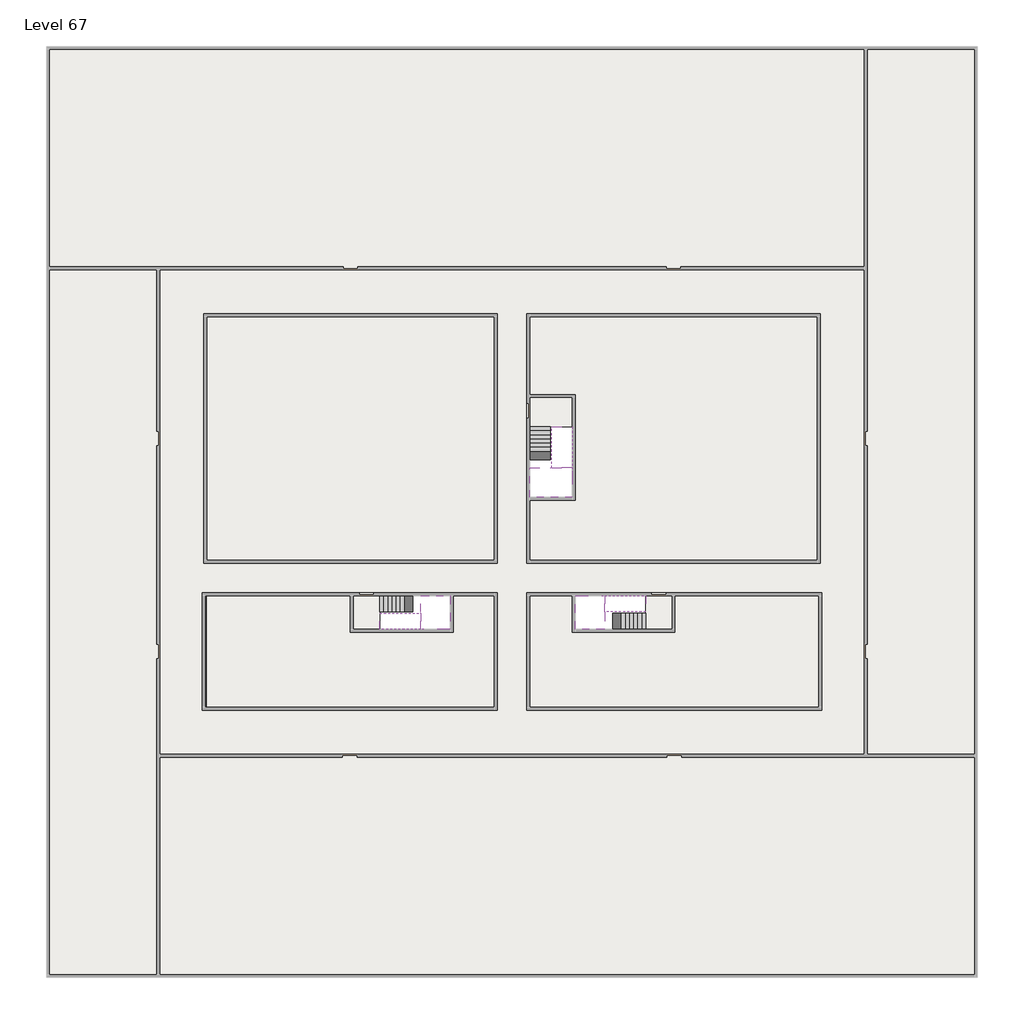
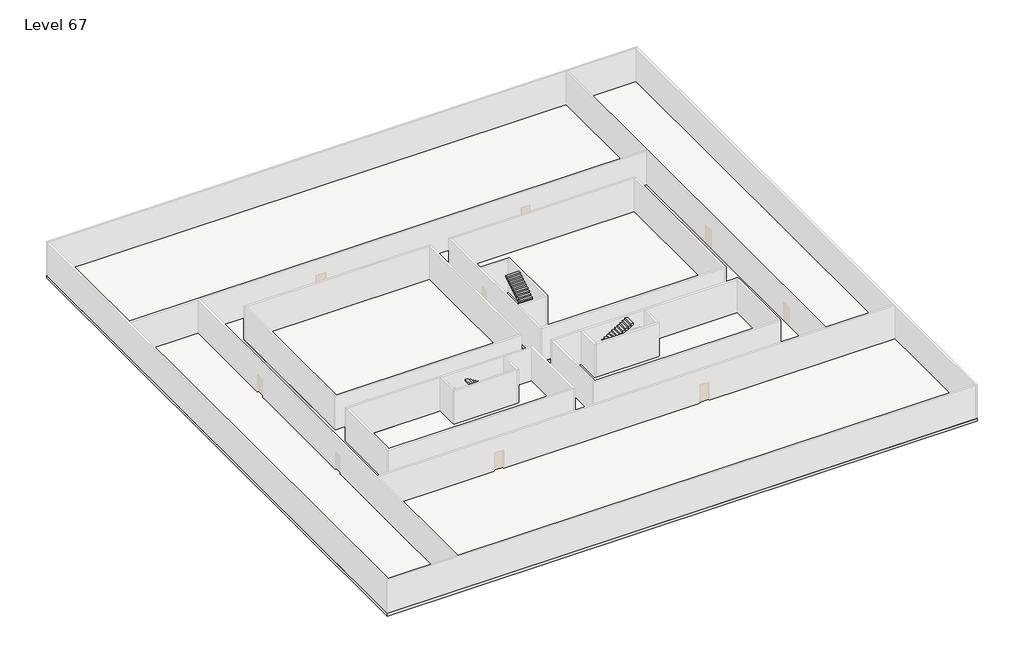
# One storey, part 2 of 2: 6 slabs, 6 stair flights.
"""IFC4 building model written with IfcOpenShell, lengths in millimetres."""

from ifc_helpers import new_model, si_unit, frame, origin, place, context, project, spatial, polyline, outline, extrude, faceted_brep, element, save

model = new_model("IFC4")

# Units and contexts
model_context = context("Model", 3, world=origin())
ifc_project = project(units=[si_unit("LENGTHUNIT", "METRE", prefix="MILLI")], contexts=[model_context])

# Site, building, storey
site = spatial("IfcSite", under=ifc_project)
building = spatial("IfcBuilding", under=site)
storey = spatial("IfcBuildingStorey", under=building, Name="Level 67", Elevation=250800.0)

# Slabs
placement = place(None, origin())
element("IfcSlab", 1, at=placement, inside=storey, context=model_context, shape_type="SweptSolid", body=[
    extrude(outline(polyline([(55890.1058784, -5518.09644), (55890.1058784, -68918.09644), (-7509.8941216, -68918.09644), (-7509.8941216, -5518.09644), (55890.1058784, -5518.09644)]), holes=[polyline([(23190.1058784, -23718.09644), (3190.1058784, -23718.09644), (3190.1058784, -40718.09644), (23190.1058784, -40718.09644), (23190.1058784, -23718.09644)]), polyline([(45190.1058784, -23718.09644), (25190.1058784, -23718.09644), (25190.1058784, -40718.09644), (45190.1058784, -40718.09644), (45190.1058784, -23718.09644)]), polyline([(23190.1058784, -50718.09644), (23190.1058784, -42718.09644), (3390.1058784, -42718.09644), (3390.1058784, -50718.09644), (23190.1058784, -50718.09644)]), polyline([(25190.1058784, -50718.09644), (45190.1058784, -50718.09644), (45190.1058784, -42718.09644), (25190.1058784, -42718.09644), (25190.1058784, -50718.09644)])]), frame((0.0, 0.0, 250500.0), z_axis=(0.0, 0.0, 1.0), x_axis=(1.0, 0.0, 0.0)), (0.0, 0.0, 1.0), 300.0),
])
element("IfcSlab", 2, at=placement, inside=storey, context=model_context, shape_type="Brep", body=[
    faceted_brep([(26790.1058784, -34218.09644, 252700.0), (25390.1058784, -34218.09644, 252700.0), (25390.1058784, -34297.4828763, 252700.0), (25390.1058784, -36218.09644, 252700.0), (28290.1058784, -36218.09644, 252700.0), (28290.1058784, -34418.7100038, 252700.0), (28290.1058784, -34218.09644, 252700.0), (26890.1058784, -34218.09644, 252700.0), (26790.1058784, -34218.09644, 252400.0), (26790.1058784, -34218.09644, 252351.0278478), (25390.1058784, -34218.09644, 252351.0278478), (25390.1058784, -34218.09644, 252527.2727273), (25390.1058784, -34297.4828763, 252400.0), (25390.1058784, -36218.09644, 252400.0), (28290.1058784, -36218.09644, 252400.0), (28290.1058784, -34418.7100038, 252400.0), (28290.1058784, -34218.09644, 252523.7551205), (26890.1058784, -34218.09644, 252523.7551205), (26890.1058784, -34218.09644, 252400.0), (26890.1058784, -34418.7100038, 252400.0), (26790.1058784, -34297.4828763, 252400.0)], [[[0, 1, 2, 3, 4, 5, 6, 7]], [[1, 0, 8, 9, 10, 11]], [[1, 11, 10, 12, 13, 3, 2]], [[4, 3, 13, 14]], [[4, 14, 15, 16, 6, 5]], [[7, 6, 16, 17]], [[0, 7, 17, 18, 8]], [[18, 19, 15, 14, 13, 12, 20, 8]], [[19, 18, 17]], [[20, 12, 10, 9]], [[8, 20, 9]], [[15, 19, 17, 16]]]),
])
element("IfcSlab", 3, at=placement, inside=storey, context=model_context, shape_type="SweptSolid", body=[
    extrude(outline(polyline([(22990.1058784, -23918.09644), (22990.1058784, -40518.09644), (3390.1058784, -40518.09644), (3390.1058784, -23918.09644), (22990.1058784, -23918.09644)])), frame((0.0, 0.0, 250500.0), z_axis=(0.0, 0.0, 1.0), x_axis=(1.0, 0.0, 0.0)), (0.0, 0.0, 1.0), 300.0),
    extrude(outline(polyline([(44990.1058784, -23918.09644), (44990.1058784, -40518.09644), (25390.1058784, -40518.09644), (25390.1058784, -36418.09644), (28490.1058784, -36418.09644), (28490.1058784, -29218.09644), (25390.1058784, -29218.09644), (25390.1058784, -23918.09644), (44990.1058784, -23918.09644)])), frame((0.0, 0.0, 250500.0), z_axis=(0.0, 0.0, 1.0), x_axis=(1.0, 0.0, 0.0)), (0.0, 0.0, 1.0), 300.0),
    extrude(outline(polyline([(22990.1058784, -42918.09644), (22990.1058784, -50518.09644), (3390.1058784, -50518.09644), (3390.1058784, -42918.09644), (13190.1058784, -42918.09644), (13190.1058784, -45418.09644), (20190.1058784, -45418.09644), (20190.1058784, -42918.09644), (22990.1058784, -42918.09644)])), frame((0.0, 0.0, 250500.0), z_axis=(0.0, 0.0, 1.0), x_axis=(1.0, 0.0, 0.0)), (0.0, 0.0, 1.0), 300.0),
    extrude(outline(polyline([(28290.1058784, -42918.09644), (28290.1058784, -45418.09644), (35290.1058784, -45418.09644), (35290.1058784, -42918.09644), (45090.1058784, -42918.09644), (45090.1058784, -50518.09644), (25390.1058784, -50518.09644), (25390.1058784, -42918.09644), (28290.1058784, -42918.09644)])), frame((0.0, 0.0, 250500.0), z_axis=(0.0, 0.0, 1.0), x_axis=(1.0, 0.0, 0.0)), (0.0, 0.0, 1.0), 300.0),
])
element("IfcSlab", 4, at=placement, inside=storey, context=model_context, shape_type="Brep", body=[
    faceted_brep([(30490.1058784, -45218.09644, 252700.0), (30490.1058784, -44118.09644, 252700.0), (30490.1058784, -44018.09644, 252700.0), (30490.1058784, -42918.09644, 252700.0), (30289.4923146, -42918.09644, 252700.0), (28490.1058784, -42918.09644, 252700.0), (28490.1058784, -45218.09644, 252700.0), (30410.7194421, -45218.09644, 252700.0), (30490.1058784, -45218.09644, 252527.2727273), (30490.1058784, -45218.09644, 252351.0278478), (30490.1058784, -44118.09644, 252351.0278478), (30490.1058784, -44118.09644, 252400.0), (30490.1058784, -44018.09644, 252400.0), (30490.1058784, -44018.09644, 252523.7551205), (30490.1058784, -42918.09644, 252523.7551205), (30289.4923146, -42918.09644, 252400.0), (28490.1058784, -42918.09644, 252400.0), (28490.1058784, -45218.09644, 252400.0), (30410.7194421, -45218.09644, 252400.0), (30289.4923146, -44018.09644, 252400.0), (30410.7194421, -44118.09644, 252400.0)], [[[0, 1, 2, 3, 4, 5, 6, 7]], [[1, 0, 8, 9, 10, 11]], [[2, 1, 11, 12, 13]], [[3, 2, 13, 14]], [[3, 14, 15, 16, 5, 4]], [[6, 5, 16, 17]], [[9, 8, 0, 7, 6, 17, 18]], [[19, 12, 11, 20, 18, 17, 16, 15]], [[12, 19, 13]], [[18, 20, 10, 9]], [[20, 11, 10]], [[19, 15, 14, 13]]]),
])
element("IfcSlab", 5, at=placement, inside=storey, context=model_context, shape_type="Brep", body=[
    faceted_brep([(17990.1058784, -42918.09644, 252700.0), (17990.1058784, -44018.09644, 252700.0), (17990.1058784, -44118.09644, 252700.0), (17990.1058784, -45218.09644, 252700.0), (18190.7194421, -45218.09644, 252700.0), (19990.1058784, -45218.09644, 252700.0), (19990.1058784, -42918.09644, 252700.0), (18069.4923146, -42918.09644, 252700.0), (17990.1058784, -42918.09644, 252527.2727273), (17990.1058784, -42918.09644, 252351.0278478), (17990.1058784, -44018.09644, 252351.0278478), (17990.1058784, -44018.09644, 252400.0), (17990.1058784, -44118.09644, 252400.0), (17990.1058784, -44118.09644, 252523.7551205), (17990.1058784, -45218.09644, 252523.7551205), (18190.7194421, -45218.09644, 252400.0), (19990.1058784, -45218.09644, 252400.0), (19990.1058784, -42918.09644, 252400.0), (18069.4923146, -42918.09644, 252400.0), (18190.7194421, -44118.09644, 252400.0), (18069.4923146, -44018.09644, 252400.0)], [[[0, 1, 2, 3, 4, 5, 6, 7]], [[1, 0, 8, 9, 10, 11]], [[2, 1, 11, 12, 13]], [[3, 2, 13, 14]], [[3, 14, 15, 16, 5, 4]], [[6, 5, 16, 17]], [[9, 8, 0, 7, 6, 17, 18]], [[19, 12, 11, 20, 18, 17, 16, 15]], [[12, 19, 13]], [[18, 20, 10, 9]], [[20, 11, 10]], [[19, 15, 14, 13]]]),
])
element("IfcSlab", 6, at=placement, inside=storey, context=model_context, shape_type="SweptSolid", body=[
    extrude(outline(polyline([(25190.1058784, -29418.09644), (28290.1058784, -29418.09644), (28290.1058784, -31418.09644), (25190.1058784, -31418.09644), (25190.1058784, -29418.09644)])), frame((0.0, 0.0, 250500.0), z_axis=(0.0, 0.0, 1.0), x_axis=(1.0, 0.0, 0.0)), (0.0, 0.0, 1.0), 300.0),
    extrude(outline(polyline([(15190.1058784, -45218.09644), (13390.1058784, -45218.09644), (13390.1058784, -42718.09644), (15190.1058784, -42718.09644), (15190.1058784, -45218.09644)])), frame((0.0, 0.0, 250500.0), z_axis=(0.0, 0.0, 1.0), x_axis=(1.0, 0.0, 0.0)), (0.0, 0.0, 1.0), 300.0),
    extrude(outline(polyline([(35090.1058784, -45218.09644), (33290.1058784, -45218.09644), (33290.1058784, -42718.09644), (35090.1058784, -42718.09644), (35090.1058784, -45218.09644)])), frame((0.0, 0.0, 250500.0), z_axis=(0.0, 0.0, 1.0), x_axis=(1.0, 0.0, 0.0)), (0.0, 0.0, 1.0), 300.0),
])

# Stair flights
element("IfcStairFlight", 7, at=placement, inside=storey, context=model_context, shape_type="Brep", body=[
    faceted_brep([(26790.1058784, -31698.09644, 250972.7272727), (26790.1058784, -31418.09644, 250972.7272727), (25390.1058784, -31418.09644, 250972.7272727), (25390.1058784, -31698.09644, 250972.7272727), (26790.1058784, -31698.09644, 250800.0), (26790.1058784, -31418.09644, 250800.0), (25390.1058784, -31418.09644, 250800.0), (25390.1058784, -31698.09644, 250800.0), (26790.1058784, -31978.09644, 251145.4545455), (26790.1058784, -31698.09644, 251145.4545455), (25390.1058784, -31698.09644, 251145.4545455), (25390.1058784, -31978.09644, 251145.4545455), (26790.1058784, -31978.09644, 250969.209666), (26790.1058784, -31703.7986657, 250800.0), (25390.1058784, -31703.7986657, 250800.0), (25390.1058784, -31978.09644, 250969.209666), (26790.1058784, -32258.09644, 251318.1818182), (26790.1058784, -31978.09644, 251318.1818182), (25390.1058784, -31978.09644, 251318.1818182), (25390.1058784, -32258.09644, 251318.1818182), (26790.1058784, -32258.09644, 251141.9369387), (25390.1058784, -32258.09644, 251141.9369387), (26790.1058784, -32538.09644, 251490.9090909), (26790.1058784, -32258.09644, 251490.9090909), (25390.1058784, -32258.09644, 251490.9090909), (25390.1058784, -32538.09644, 251490.9090909), (26790.1058784, -32538.09644, 251314.6642114), (25390.1058784, -32538.09644, 251314.6642114), (26790.1058784, -32818.09644, 251663.6363636), (26790.1058784, -32538.09644, 251663.6363636), (25390.1058784, -32538.09644, 251663.6363636), (25390.1058784, -32818.09644, 251663.6363636), (26790.1058784, -32818.09644, 251487.3914841), (25390.1058784, -32818.09644, 251487.3914841), (26790.1058784, -33098.09644, 251836.3636364), (26790.1058784, -32818.09644, 251836.3636364), (25390.1058784, -32818.09644, 251836.3636364), (25390.1058784, -33098.09644, 251836.3636364), (26790.1058784, -33098.09644, 251660.1187569), (25390.1058784, -33098.09644, 251660.1187569), (26790.1058784, -33378.09644, 252009.0909091), (26790.1058784, -33098.09644, 252009.0909091), (25390.1058784, -33098.09644, 252009.0909091), (25390.1058784, -33378.09644, 252009.0909091), (26790.1058784, -33378.09644, 251832.8460296), (25390.1058784, -33378.09644, 251832.8460296), (26790.1058784, -33658.09644, 252181.8181818), (26790.1058784, -33378.09644, 252181.8181818), (25390.1058784, -33378.09644, 252181.8181818), (25390.1058784, -33658.09644, 252181.8181818), (26790.1058784, -33658.09644, 252005.5733023), (25390.1058784, -33658.09644, 252005.5733023), (26790.1058784, -33938.09644, 252354.5454545), (26790.1058784, -33658.09644, 252354.5454545), (25390.1058784, -33658.09644, 252354.5454545), (25390.1058784, -33938.09644, 252354.5454545), (26790.1058784, -33938.09644, 252178.3005751), (25390.1058784, -33938.09644, 252178.3005751), (26790.1058784, -34218.09644, 252527.2727273), (26790.1058784, -33938.09644, 252527.2727273), (25390.1058784, -33938.09644, 252527.2727273), (25390.1058784, -34218.09644, 252527.2727273), (26790.1058784, -34218.09644, 252400.0), (26790.1058784, -34218.09644, 252351.0278478), (25390.1058784, -34218.09644, 252351.0278478)], [[[0, 1, 2, 3]], [[1, 0, 4, 5]], [[2, 1, 5, 6]], [[3, 2, 6, 7]], [[8, 9, 10, 11]], [[4, 0, 9, 8, 12, 13]], [[0, 3, 10, 9]], [[3, 7, 14, 15, 11, 10]], [[16, 17, 18, 19]], [[17, 16, 20, 12, 8]], [[8, 11, 18, 17]], [[19, 18, 11, 15, 21]], [[22, 23, 24, 25]], [[23, 22, 26, 20, 16]], [[16, 19, 24, 23]], [[25, 24, 19, 21, 27]], [[28, 29, 30, 31]], [[29, 28, 32, 26, 22]], [[22, 25, 30, 29]], [[31, 30, 25, 27, 33]], [[34, 35, 36, 37]], [[35, 34, 38, 32, 28]], [[28, 31, 36, 35]], [[37, 36, 31, 33, 39]], [[40, 41, 42, 43]], [[41, 40, 44, 38, 34]], [[34, 37, 42, 41]], [[43, 42, 37, 39, 45]], [[46, 47, 48, 49]], [[47, 46, 50, 44, 40]], [[40, 43, 48, 47]], [[49, 48, 43, 45, 51]], [[52, 53, 54, 55]], [[53, 52, 56, 50, 46]], [[46, 49, 54, 53]], [[55, 54, 49, 51, 57]], [[58, 59, 60, 61]], [[59, 58, 62, 63, 56, 52]], [[52, 55, 60, 59]], [[61, 60, 55, 57, 64]], [[58, 61, 64, 63, 62]], [[5, 4, 13, 14, 7, 6]], [[14, 13, 12, 20, 26, 32, 38, 44, 50, 56, 63, 64, 57, 51, 45, 39, 33, 27, 21, 15]]]),
])
element("IfcStairFlight", 8, at=placement, inside=storey, context=model_context, shape_type="Brep", body=[
    faceted_brep([(26890.1058784, -33938.09644, 252872.7272727), (26890.1058784, -34218.09644, 252872.7272727), (28290.1058784, -34218.09644, 252872.7272727), (28290.1058784, -33938.09644, 252872.7272727), (26890.1058784, -33938.09644, 252696.4823932), (26890.1058784, -34218.09644, 252523.7551205), (28290.1058784, -34218.09644, 252523.7551205), (28290.1058784, -34218.09644, 252700.0), (28290.1058784, -33938.09644, 252696.4823932), (26890.1058784, -33658.09644, 253045.4545455), (26890.1058784, -33938.09644, 253045.4545455), (28290.1058784, -33938.09644, 253045.4545455), (28290.1058784, -33658.09644, 253045.4545455), (26890.1058784, -33658.09644, 252869.209666), (28290.1058784, -33658.09644, 252869.209666), (26890.1058784, -33378.09644, 253218.1818182), (26890.1058784, -33658.09644, 253218.1818182), (28290.1058784, -33658.09644, 253218.1818182), (28290.1058784, -33378.09644, 253218.1818182), (26890.1058784, -33378.09644, 253041.9369387), (28290.1058784, -33378.09644, 253041.9369387), (26890.1058784, -33098.09644, 253390.9090909), (26890.1058784, -33378.09644, 253390.9090909), (28290.1058784, -33378.09644, 253390.9090909), (28290.1058784, -33098.09644, 253390.9090909), (26890.1058784, -33098.09644, 253214.6642114), (28290.1058784, -33098.09644, 253214.6642114), (26890.1058784, -32818.09644, 253563.6363636), (26890.1058784, -33098.09644, 253563.6363636), (28290.1058784, -33098.09644, 253563.6363636), (28290.1058784, -32818.09644, 253563.6363636), (26890.1058784, -32818.09644, 253387.3914841), (28290.1058784, -32818.09644, 253387.3914841), (26890.1058784, -32538.09644, 253736.3636364), (26890.1058784, -32818.09644, 253736.3636364), (28290.1058784, -32818.09644, 253736.3636364), (28290.1058784, -32538.09644, 253736.3636364), (26890.1058784, -32538.09644, 253560.1187569), (28290.1058784, -32538.09644, 253560.1187569), (26890.1058784, -32258.09644, 253909.0909091), (26890.1058784, -32538.09644, 253909.0909091), (28290.1058784, -32538.09644, 253909.0909091), (28290.1058784, -32258.09644, 253909.0909091), (26890.1058784, -32258.09644, 253732.8460296), (28290.1058784, -32258.09644, 253732.8460296), (26890.1058784, -31978.09644, 254081.8181818), (26890.1058784, -32258.09644, 254081.8181818), (28290.1058784, -32258.09644, 254081.8181818), (28290.1058784, -31978.09644, 254081.8181818), (26890.1058784, -31978.09644, 253905.5733023), (28290.1058784, -31978.09644, 253905.5733023), (26890.1058784, -31698.09644, 254254.5454545), (26890.1058784, -31978.09644, 254254.5454545), (28290.1058784, -31978.09644, 254254.5454545), (28290.1058784, -31698.09644, 254254.5454545), (26890.1058784, -31698.09644, 254078.3005751), (28290.1058784, -31698.09644, 254078.3005751), (26890.1058784, -31418.09644, 254427.2727273), (26890.1058784, -31698.09644, 254427.2727273), (28290.1058784, -31698.09644, 254427.2727273), (28290.1058784, -31418.09644, 254427.2727273), (26890.1058784, -31418.09644, 254251.0278478), (28290.1058784, -31418.09644, 254251.0278478)], [[[0, 1, 2, 3]], [[1, 0, 4, 5]], [[2, 1, 5, 6, 7]], [[3, 2, 7, 6, 8]], [[9, 10, 11, 12]], [[10, 9, 13, 4, 0]], [[11, 10, 0, 3]], [[12, 11, 3, 8, 14]], [[15, 16, 17, 18]], [[16, 15, 19, 13, 9]], [[17, 16, 9, 12]], [[18, 17, 12, 14, 20]], [[21, 22, 23, 24]], [[22, 21, 25, 19, 15]], [[23, 22, 15, 18]], [[24, 23, 18, 20, 26]], [[27, 28, 29, 30]], [[28, 27, 31, 25, 21]], [[29, 28, 21, 24]], [[30, 29, 24, 26, 32]], [[33, 34, 35, 36]], [[34, 33, 37, 31, 27]], [[35, 34, 27, 30]], [[36, 35, 30, 32, 38]], [[39, 40, 41, 42]], [[40, 39, 43, 37, 33]], [[41, 40, 33, 36]], [[42, 41, 36, 38, 44]], [[45, 46, 47, 48]], [[46, 45, 49, 43, 39]], [[47, 46, 39, 42]], [[48, 47, 42, 44, 50]], [[51, 52, 53, 54]], [[52, 51, 55, 49, 45]], [[53, 52, 45, 48]], [[54, 53, 48, 50, 56]], [[57, 58, 59, 60]], [[58, 57, 61, 55, 51]], [[59, 58, 51, 54]], [[60, 59, 54, 56, 62]], [[57, 60, 62, 61]], [[5, 4, 13, 19, 25, 31, 37, 43, 49, 55, 61, 62, 56, 50, 44, 38, 32, 26, 20, 14, 8, 6]]]),
])
element("IfcStairFlight", 9, at=placement, inside=storey, context=model_context, shape_type="Brep", body=[
    faceted_brep([(33010.1058784, -45218.09644, 250972.7272727), (33290.1058784, -45218.09644, 250972.7272727), (33290.1058784, -44118.09644, 250972.7272727), (33010.1058784, -44118.09644, 250972.7272727), (33010.1058784, -45218.09644, 250800.0), (33290.1058784, -45218.09644, 250800.0), (33290.1058784, -44118.09644, 250800.0), (33010.1058784, -44118.09644, 250800.0), (32730.1058784, -45218.09644, 251145.4545455), (33010.1058784, -45218.09644, 251145.4545455), (33010.1058784, -44118.09644, 251145.4545455), (32730.1058784, -44118.09644, 251145.4545455), (32730.1058784, -45218.09644, 250969.209666), (33004.4036527, -45218.09644, 250800.0), (33004.4036527, -44118.09644, 250800.0), (32730.1058784, -44118.09644, 250969.209666), (32450.1058784, -45218.09644, 251318.1818182), (32730.1058784, -45218.09644, 251318.1818182), (32730.1058784, -44118.09644, 251318.1818182), (32450.1058784, -44118.09644, 251318.1818182), (32450.1058784, -45218.09644, 251141.9369387), (32450.1058784, -44118.09644, 251141.9369387), (32170.1058784, -45218.09644, 251490.9090909), (32450.1058784, -45218.09644, 251490.9090909), (32450.1058784, -44118.09644, 251490.9090909), (32170.1058784, -44118.09644, 251490.9090909), (32170.1058784, -45218.09644, 251314.6642114), (32170.1058784, -44118.09644, 251314.6642114), (31890.1058784, -45218.09644, 251663.6363636), (32170.1058784, -45218.09644, 251663.6363636), (32170.1058784, -44118.09644, 251663.6363636), (31890.1058784, -44118.09644, 251663.6363636), (31890.1058784, -45218.09644, 251487.3914841), (31890.1058784, -44118.09644, 251487.3914841), (31610.1058784, -45218.09644, 251836.3636364), (31890.1058784, -45218.09644, 251836.3636364), (31890.1058784, -44118.09644, 251836.3636364), (31610.1058784, -44118.09644, 251836.3636364), (31610.1058784, -45218.09644, 251660.1187569), (31610.1058784, -44118.09644, 251660.1187569), (31330.1058784, -45218.09644, 252009.0909091), (31610.1058784, -45218.09644, 252009.0909091), (31610.1058784, -44118.09644, 252009.0909091), (31330.1058784, -44118.09644, 252009.0909091), (31330.1058784, -45218.09644, 251832.8460296), (31330.1058784, -44118.09644, 251832.8460296), (31050.1058784, -45218.09644, 252181.8181818), (31330.1058784, -45218.09644, 252181.8181818), (31330.1058784, -44118.09644, 252181.8181818), (31050.1058784, -44118.09644, 252181.8181818), (31050.1058784, -45218.09644, 252005.5733023), (31050.1058784, -44118.09644, 252005.5733023), (30770.1058784, -45218.09644, 252354.5454545), (31050.1058784, -45218.09644, 252354.5454545), (31050.1058784, -44118.09644, 252354.5454545), (30770.1058784, -44118.09644, 252354.5454545), (30770.1058784, -45218.09644, 252178.3005751), (30770.1058784, -44118.09644, 252178.3005751), (30490.1058784, -45218.09644, 252527.2727273), (30770.1058784, -45218.09644, 252527.2727273), (30770.1058784, -44118.09644, 252527.2727273), (30490.1058784, -44118.09644, 252527.2727273), (30490.1058784, -45218.09644, 252351.0278478), (30490.1058784, -44118.09644, 252351.0278478), (30490.1058784, -44118.09644, 252400.0)], [[[0, 1, 2, 3]], [[1, 0, 4, 5]], [[2, 1, 5, 6]], [[3, 2, 6, 7]], [[8, 9, 10, 11]], [[4, 0, 9, 8, 12, 13]], [[0, 3, 10, 9]], [[3, 7, 14, 15, 11, 10]], [[16, 17, 18, 19]], [[17, 16, 20, 12, 8]], [[8, 11, 18, 17]], [[19, 18, 11, 15, 21]], [[22, 23, 24, 25]], [[23, 22, 26, 20, 16]], [[16, 19, 24, 23]], [[25, 24, 19, 21, 27]], [[28, 29, 30, 31]], [[29, 28, 32, 26, 22]], [[22, 25, 30, 29]], [[31, 30, 25, 27, 33]], [[34, 35, 36, 37]], [[35, 34, 38, 32, 28]], [[28, 31, 36, 35]], [[37, 36, 31, 33, 39]], [[40, 41, 42, 43]], [[41, 40, 44, 38, 34]], [[34, 37, 42, 41]], [[43, 42, 37, 39, 45]], [[46, 47, 48, 49]], [[47, 46, 50, 44, 40]], [[40, 43, 48, 47]], [[49, 48, 43, 45, 51]], [[52, 53, 54, 55]], [[53, 52, 56, 50, 46]], [[46, 49, 54, 53]], [[55, 54, 49, 51, 57]], [[58, 59, 60, 61]], [[59, 58, 62, 56, 52]], [[52, 55, 60, 59]], [[61, 60, 55, 57, 63, 64]], [[58, 61, 64, 63, 62]], [[5, 4, 13, 14, 7, 6]], [[14, 13, 12, 20, 26, 32, 38, 44, 50, 56, 62, 63, 57, 51, 45, 39, 33, 27, 21, 15]]]),
])
element("IfcStairFlight", 10, at=placement, inside=storey, context=model_context, shape_type="Brep", body=[
    faceted_brep([(30770.1058784, -42918.09644, 252872.7272727), (30490.1058784, -42918.09644, 252872.7272727), (30490.1058784, -44018.09644, 252872.7272727), (30770.1058784, -44018.09644, 252872.7272727), (30770.1058784, -42918.09644, 252696.4823932), (30490.1058784, -42918.09644, 252523.7551205), (30490.1058784, -42918.09644, 252700.0), (30490.1058784, -44018.09644, 252523.7551205), (30770.1058784, -44018.09644, 252696.4823932), (31050.1058784, -42918.09644, 253045.4545455), (30770.1058784, -42918.09644, 253045.4545455), (30770.1058784, -44018.09644, 253045.4545455), (31050.1058784, -44018.09644, 253045.4545455), (31050.1058784, -42918.09644, 252869.209666), (31050.1058784, -44018.09644, 252869.209666), (31330.1058784, -42918.09644, 253218.1818182), (31050.1058784, -42918.09644, 253218.1818182), (31050.1058784, -44018.09644, 253218.1818182), (31330.1058784, -44018.09644, 253218.1818182), (31330.1058784, -42918.09644, 253041.9369387), (31330.1058784, -44018.09644, 253041.9369387), (31610.1058784, -42918.09644, 253390.9090909), (31330.1058784, -42918.09644, 253390.9090909), (31330.1058784, -44018.09644, 253390.9090909), (31610.1058784, -44018.09644, 253390.9090909), (31610.1058784, -42918.09644, 253214.6642114), (31610.1058784, -44018.09644, 253214.6642114), (31890.1058784, -42918.09644, 253563.6363636), (31610.1058784, -42918.09644, 253563.6363636), (31610.1058784, -44018.09644, 253563.6363636), (31890.1058784, -44018.09644, 253563.6363636), (31890.1058784, -42918.09644, 253387.3914841), (31890.1058784, -44018.09644, 253387.3914841), (32170.1058784, -42918.09644, 253736.3636364), (31890.1058784, -42918.09644, 253736.3636364), (31890.1058784, -44018.09644, 253736.3636364), (32170.1058784, -44018.09644, 253736.3636364), (32170.1058784, -42918.09644, 253560.1187569), (32170.1058784, -44018.09644, 253560.1187569), (32450.1058784, -42918.09644, 253909.0909091), (32170.1058784, -42918.09644, 253909.0909091), (32170.1058784, -44018.09644, 253909.0909091), (32450.1058784, -44018.09644, 253909.0909091), (32450.1058784, -42918.09644, 253732.8460296), (32450.1058784, -44018.09644, 253732.8460296), (32730.1058784, -42918.09644, 254081.8181818), (32450.1058784, -42918.09644, 254081.8181818), (32450.1058784, -44018.09644, 254081.8181818), (32730.1058784, -44018.09644, 254081.8181818), (32730.1058784, -42918.09644, 253905.5733023), (32730.1058784, -44018.09644, 253905.5733023), (33010.1058784, -42918.09644, 254254.5454545), (32730.1058784, -42918.09644, 254254.5454545), (32730.1058784, -44018.09644, 254254.5454545), (33010.1058784, -44018.09644, 254254.5454545), (33010.1058784, -42918.09644, 254078.3005751), (33010.1058784, -44018.09644, 254078.3005751), (33290.1058784, -42918.09644, 254427.2727273), (33010.1058784, -42918.09644, 254427.2727273), (33010.1058784, -44018.09644, 254427.2727273), (33290.1058784, -44018.09644, 254427.2727273), (33290.1058784, -42918.09644, 254251.0278478), (33290.1058784, -44018.09644, 254251.0278478)], [[[0, 1, 2, 3]], [[1, 0, 4, 5, 6]], [[2, 1, 6, 5, 7]], [[3, 2, 7, 8]], [[9, 10, 11, 12]], [[10, 9, 13, 4, 0]], [[11, 10, 0, 3]], [[12, 11, 3, 8, 14]], [[15, 16, 17, 18]], [[16, 15, 19, 13, 9]], [[17, 16, 9, 12]], [[18, 17, 12, 14, 20]], [[21, 22, 23, 24]], [[22, 21, 25, 19, 15]], [[23, 22, 15, 18]], [[24, 23, 18, 20, 26]], [[27, 28, 29, 30]], [[28, 27, 31, 25, 21]], [[29, 28, 21, 24]], [[30, 29, 24, 26, 32]], [[33, 34, 35, 36]], [[34, 33, 37, 31, 27]], [[35, 34, 27, 30]], [[36, 35, 30, 32, 38]], [[39, 40, 41, 42]], [[40, 39, 43, 37, 33]], [[41, 40, 33, 36]], [[42, 41, 36, 38, 44]], [[45, 46, 47, 48]], [[46, 45, 49, 43, 39]], [[47, 46, 39, 42]], [[48, 47, 42, 44, 50]], [[51, 52, 53, 54]], [[52, 51, 55, 49, 45]], [[53, 52, 45, 48]], [[54, 53, 48, 50, 56]], [[57, 58, 59, 60]], [[58, 57, 61, 55, 51]], [[59, 58, 51, 54]], [[60, 59, 54, 56, 62]], [[57, 60, 62, 61]], [[5, 4, 13, 19, 25, 31, 37, 43, 49, 55, 61, 62, 56, 50, 44, 38, 32, 26, 20, 14, 8, 7]]]),
])
element("IfcStairFlight", 11, at=placement, inside=storey, context=model_context, shape_type="Brep", body=[
    faceted_brep([(15470.1058784, -42918.09644, 250972.7272727), (15190.1058784, -42918.09644, 250972.7272727), (15190.1058784, -44018.09644, 250972.7272727), (15470.1058784, -44018.09644, 250972.7272727), (15470.1058784, -42918.09644, 250800.0), (15190.1058784, -42918.09644, 250800.0), (15190.1058784, -44018.09644, 250800.0), (15470.1058784, -44018.09644, 250800.0), (15750.1058784, -42918.09644, 251145.4545455), (15470.1058784, -42918.09644, 251145.4545455), (15470.1058784, -44018.09644, 251145.4545455), (15750.1058784, -44018.09644, 251145.4545455), (15750.1058784, -42918.09644, 250969.209666), (15475.8081041, -42918.09644, 250800.0), (15475.8081041, -44018.09644, 250800.0), (15750.1058784, -44018.09644, 250969.209666), (16030.1058784, -42918.09644, 251318.1818182), (15750.1058784, -42918.09644, 251318.1818182), (15750.1058784, -44018.09644, 251318.1818182), (16030.1058784, -44018.09644, 251318.1818182), (16030.1058784, -42918.09644, 251141.9369387), (16030.1058784, -44018.09644, 251141.9369387), (16310.1058784, -42918.09644, 251490.9090909), (16030.1058784, -42918.09644, 251490.9090909), (16030.1058784, -44018.09644, 251490.9090909), (16310.1058784, -44018.09644, 251490.9090909), (16310.1058784, -42918.09644, 251314.6642114), (16310.1058784, -44018.09644, 251314.6642114), (16590.1058784, -42918.09644, 251663.6363636), (16310.1058784, -42918.09644, 251663.6363636), (16310.1058784, -44018.09644, 251663.6363636), (16590.1058784, -44018.09644, 251663.6363636), (16590.1058784, -42918.09644, 251487.3914841), (16590.1058784, -44018.09644, 251487.3914841), (16870.1058784, -42918.09644, 251836.3636364), (16590.1058784, -42918.09644, 251836.3636364), (16590.1058784, -44018.09644, 251836.3636364), (16870.1058784, -44018.09644, 251836.3636364), (16870.1058784, -42918.09644, 251660.1187569), (16870.1058784, -44018.09644, 251660.1187569), (17150.1058784, -42918.09644, 252009.0909091), (16870.1058784, -42918.09644, 252009.0909091), (16870.1058784, -44018.09644, 252009.0909091), (17150.1058784, -44018.09644, 252009.0909091), (17150.1058784, -42918.09644, 251832.8460296), (17150.1058784, -44018.09644, 251832.8460296), (17430.1058784, -42918.09644, 252181.8181818), (17150.1058784, -42918.09644, 252181.8181818), (17150.1058784, -44018.09644, 252181.8181818), (17430.1058784, -44018.09644, 252181.8181818), (17430.1058784, -42918.09644, 252005.5733023), (17430.1058784, -44018.09644, 252005.5733023), (17710.1058784, -42918.09644, 252354.5454545), (17430.1058784, -42918.09644, 252354.5454545), (17430.1058784, -44018.09644, 252354.5454545), (17710.1058784, -44018.09644, 252354.5454545), (17710.1058784, -42918.09644, 252178.3005751), (17710.1058784, -44018.09644, 252178.3005751), (17990.1058784, -42918.09644, 252527.2727273), (17710.1058784, -42918.09644, 252527.2727273), (17710.1058784, -44018.09644, 252527.2727273), (17990.1058784, -44018.09644, 252527.2727273), (17990.1058784, -42918.09644, 252351.0278478), (17990.1058784, -44018.09644, 252351.0278478), (17990.1058784, -44018.09644, 252400.0)], [[[0, 1, 2, 3]], [[1, 0, 4, 5]], [[2, 1, 5, 6]], [[3, 2, 6, 7]], [[8, 9, 10, 11]], [[4, 0, 9, 8, 12, 13]], [[0, 3, 10, 9]], [[3, 7, 14, 15, 11, 10]], [[16, 17, 18, 19]], [[17, 16, 20, 12, 8]], [[8, 11, 18, 17]], [[19, 18, 11, 15, 21]], [[22, 23, 24, 25]], [[23, 22, 26, 20, 16]], [[16, 19, 24, 23]], [[25, 24, 19, 21, 27]], [[28, 29, 30, 31]], [[29, 28, 32, 26, 22]], [[22, 25, 30, 29]], [[31, 30, 25, 27, 33]], [[34, 35, 36, 37]], [[35, 34, 38, 32, 28]], [[28, 31, 36, 35]], [[37, 36, 31, 33, 39]], [[40, 41, 42, 43]], [[41, 40, 44, 38, 34]], [[34, 37, 42, 41]], [[43, 42, 37, 39, 45]], [[46, 47, 48, 49]], [[47, 46, 50, 44, 40]], [[40, 43, 48, 47]], [[49, 48, 43, 45, 51]], [[52, 53, 54, 55]], [[53, 52, 56, 50, 46]], [[46, 49, 54, 53]], [[55, 54, 49, 51, 57]], [[58, 59, 60, 61]], [[59, 58, 62, 56, 52]], [[52, 55, 60, 59]], [[61, 60, 55, 57, 63, 64]], [[58, 61, 64, 63, 62]], [[5, 4, 13, 14, 7, 6]], [[14, 13, 12, 20, 26, 32, 38, 44, 50, 56, 62, 63, 57, 51, 45, 39, 33, 27, 21, 15]]]),
])
element("IfcStairFlight", 12, at=placement, inside=storey, context=model_context, shape_type="Brep", body=[
    faceted_brep([(17710.1058784, -45218.09644, 252872.7272727), (17990.1058784, -45218.09644, 252872.7272727), (17990.1058784, -44118.09644, 252872.7272727), (17710.1058784, -44118.09644, 252872.7272727), (17710.1058784, -45218.09644, 252696.4823932), (17990.1058784, -45218.09644, 252523.7551205), (17990.1058784, -45218.09644, 252700.0), (17990.1058784, -44118.09644, 252523.7551205), (17710.1058784, -44118.09644, 252696.4823932), (17430.1058784, -45218.09644, 253045.4545455), (17710.1058784, -45218.09644, 253045.4545455), (17710.1058784, -44118.09644, 253045.4545455), (17430.1058784, -44118.09644, 253045.4545455), (17430.1058784, -45218.09644, 252869.209666), (17430.1058784, -44118.09644, 252869.209666), (17150.1058784, -45218.09644, 253218.1818182), (17430.1058784, -45218.09644, 253218.1818182), (17430.1058784, -44118.09644, 253218.1818182), (17150.1058784, -44118.09644, 253218.1818182), (17150.1058784, -45218.09644, 253041.9369387), (17150.1058784, -44118.09644, 253041.9369387), (16870.1058784, -45218.09644, 253390.9090909), (17150.1058784, -45218.09644, 253390.9090909), (17150.1058784, -44118.09644, 253390.9090909), (16870.1058784, -44118.09644, 253390.9090909), (16870.1058784, -45218.09644, 253214.6642114), (16870.1058784, -44118.09644, 253214.6642114), (16590.1058784, -45218.09644, 253563.6363636), (16870.1058784, -45218.09644, 253563.6363636), (16870.1058784, -44118.09644, 253563.6363636), (16590.1058784, -44118.09644, 253563.6363636), (16590.1058784, -45218.09644, 253387.3914841), (16590.1058784, -44118.09644, 253387.3914841), (16310.1058784, -45218.09644, 253736.3636364), (16590.1058784, -45218.09644, 253736.3636364), (16590.1058784, -44118.09644, 253736.3636364), (16310.1058784, -44118.09644, 253736.3636364), (16310.1058784, -45218.09644, 253560.1187569), (16310.1058784, -44118.09644, 253560.1187569), (16030.1058784, -45218.09644, 253909.0909091), (16310.1058784, -45218.09644, 253909.0909091), (16310.1058784, -44118.09644, 253909.0909091), (16030.1058784, -44118.09644, 253909.0909091), (16030.1058784, -45218.09644, 253732.8460296), (16030.1058784, -44118.09644, 253732.8460296), (15750.1058784, -45218.09644, 254081.8181818), (16030.1058784, -45218.09644, 254081.8181818), (16030.1058784, -44118.09644, 254081.8181818), (15750.1058784, -44118.09644, 254081.8181818), (15750.1058784, -45218.09644, 253905.5733023), (15750.1058784, -44118.09644, 253905.5733023), (15470.1058784, -45218.09644, 254254.5454545), (15750.1058784, -45218.09644, 254254.5454545), (15750.1058784, -44118.09644, 254254.5454545), (15470.1058784, -44118.09644, 254254.5454545), (15470.1058784, -45218.09644, 254078.3005751), (15470.1058784, -44118.09644, 254078.3005751), (15190.1058784, -45218.09644, 254427.2727273), (15470.1058784, -45218.09644, 254427.2727273), (15470.1058784, -44118.09644, 254427.2727273), (15190.1058784, -44118.09644, 254427.2727273), (15190.1058784, -45218.09644, 254251.0278478), (15190.1058784, -44118.09644, 254251.0278478)], [[[0, 1, 2, 3]], [[1, 0, 4, 5, 6]], [[2, 1, 6, 5, 7]], [[3, 2, 7, 8]], [[9, 10, 11, 12]], [[10, 9, 13, 4, 0]], [[11, 10, 0, 3]], [[12, 11, 3, 8, 14]], [[15, 16, 17, 18]], [[16, 15, 19, 13, 9]], [[17, 16, 9, 12]], [[18, 17, 12, 14, 20]], [[21, 22, 23, 24]], [[22, 21, 25, 19, 15]], [[23, 22, 15, 18]], [[24, 23, 18, 20, 26]], [[27, 28, 29, 30]], [[28, 27, 31, 25, 21]], [[29, 28, 21, 24]], [[30, 29, 24, 26, 32]], [[33, 34, 35, 36]], [[34, 33, 37, 31, 27]], [[35, 34, 27, 30]], [[36, 35, 30, 32, 38]], [[39, 40, 41, 42]], [[40, 39, 43, 37, 33]], [[41, 40, 33, 36]], [[42, 41, 36, 38, 44]], [[45, 46, 47, 48]], [[46, 45, 49, 43, 39]], [[47, 46, 39, 42]], [[48, 47, 42, 44, 50]], [[51, 52, 53, 54]], [[52, 51, 55, 49, 45]], [[53, 52, 45, 48]], [[54, 53, 48, 50, 56]], [[57, 58, 59, 60]], [[58, 57, 61, 55, 51]], [[59, 58, 51, 54]], [[60, 59, 54, 56, 62]], [[57, 60, 62, 61]], [[5, 4, 13, 19, 25, 31, 37, 43, 49, 55, 61, 62, 56, 50, 44, 38, 32, 26, 20, 14, 8, 7]]]),
])

save(model, "model.ifc")
